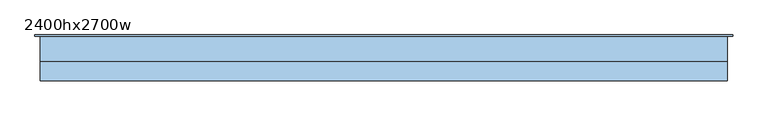
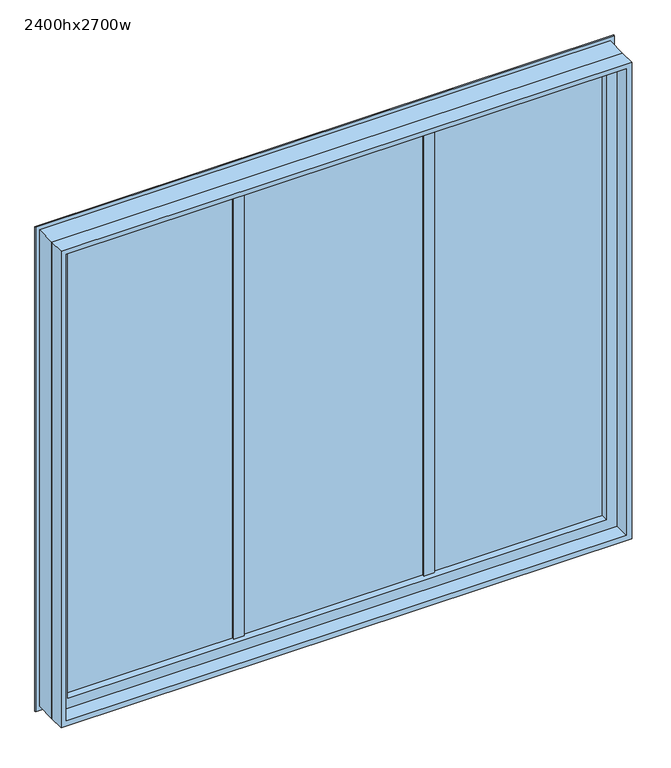
"""IFC4 building model written with IfcOpenShell, lengths in millimetres: window geometry, 2400hx2700w."""

from ifc_helpers import new_model, si_unit, frame, origin, place, context, project, spatial, polyline, outline, extrude, faceted_brep, source, transform, mapped, element, save


def window_2400hx2700w_36a617c0(model_context):
    return source(origin(), model_context, "Body", "SolidModel", [
        extrude(outline(polyline([(3062.5, -1670.0), (680.0, -1670.0), (680.0, 1030.0), (3062.5, 1030.0), (3062.5, -1670.0)]), holes=[polyline([(3037.5, 1005.0), (705.0, 1005.0), (705.0, -1645.0), (3037.5, -1645.0), (3037.5, 1005.0)])]), frame((0.0, -100.0, 0.0), z_axis=(0.0, 1.0, 0.0), x_axis=(0.0, 0.0, 1.0)), (0.0, 0.0, 1.0), 75.0),
        faceted_brep([(-1670.0, -25.0, 3062.5), (-1670.0, 75.0, 3062.5), (-1670.0, 75.0, 680.0), (-1670.0, -25.0, 680.0), (1005.0, 75.0, 3037.5), (1005.0, 75.0, 705.0), (-1645.0, 75.0, 705.0), (-1645.0, 75.0, 3037.5), (-1595.0, 75.0, 2987.5), (-1595.0, 75.0, 755.0), (955.0, 75.0, 755.0), (955.0, 75.0, 2987.5), (1030.0, 75.0, 680.0), (1030.0, -25.0, 680.0), (1030.0, -25.0, 3062.5), (955.0, -25.0, 2987.5), (955.0, -25.0, 755.0), (-1595.0, -25.0, 755.0), (-1595.0, -25.0, 2987.5), (1030.0, 75.0, 3062.5), (-1690.0, 75.0, 3082.5), (-1690.0, 75.0, 660.0), (1050.0, 75.0, 660.0), (1050.0, 75.0, 3082.5), (1005.0, 80.0, 705.0), (1005.0, 80.0, 3037.5), (-1645.0, 80.0, 705.0), (-1645.0, 80.0, 3037.5), (1050.0, 80.0, 3082.5), (1050.0, 80.0, 660.0), (-1690.0, 80.0, 660.0), (-1690.0, 80.0, 3082.5)], [[[0, 1, 2, 3]], [[4, 5, 6, 7], [8, 9, 10, 11]], [[3, 2, 12, 13]], [[0, 3, 13, 14], [15, 16, 17, 18]], [[8, 18, 17, 9]], [[9, 17, 16, 10]], [[13, 12, 19, 14]], [[10, 16, 15, 11]], [[14, 19, 1, 0]], [[11, 15, 18, 8]], [[20, 21, 22, 23], [19, 12, 2, 1]], [[24, 5, 4, 25]], [[26, 6, 5, 24]], [[27, 7, 6, 26]], [[28, 29, 30, 31], [27, 26, 24, 25]], [[20, 31, 30, 21]], [[21, 30, 29, 22]], [[22, 29, 28, 23]], [[25, 4, 7, 27]], [[23, 28, 31, 20]]]),
        extrude(outline(polyline([(155.0, 50.3446628), (155.0, 0.0), (105.0, 0.0), (105.0, 50.3446628), (155.0, 50.3446628)])), frame((0.0, 0.0, 755.0), z_axis=(0.0, 0.0, 1.0), x_axis=(1.0, 0.0, 0.0)), (0.0, 0.0, 1.0), 2232.5),
        extrude(outline(polyline([(-745.0, 50.3446628), (-745.0, 0.0), (-795.0, 0.0), (-795.0, 50.3446628), (-745.0, 50.3446628)])), frame((0.0, 0.0, 755.0), z_axis=(0.0, 0.0, 1.0), x_axis=(1.0, 0.0, 0.0)), (0.0, 0.0, 1.0), 2232.5),
        extrude(outline(polyline([(955.0, 17.6723314), (955.0, 10.3446628), (-1595.0, 10.3446628), (-1595.0, 17.6723314), (955.0, 17.6723314)])), frame((0.0, 0.0, 755.0), z_axis=(0.0, 0.0, 1.0), x_axis=(1.0, 0.0, 0.0)), (0.0, 0.0, 1.0), 2232.5),
    ])


if __name__ == "__main__":
    model = new_model("IFC4")
    model_context = context("Model", 3, world=origin())
    ifc_project = project(units=[si_unit("LENGTHUNIT", "METRE", prefix="MILLI")], contexts=[model_context])
    site = spatial("IfcSite", under=ifc_project)
    building = spatial("IfcBuilding", under=site)
    placement = place(None, origin())
    window_2400hx2700w_shape = window_2400hx2700w_36a617c0(model_context)
    element("IfcWindow", 1, ObjectType="2400hx2700w", at=placement, inside=building, context=model_context, shape_type="MappedRepresentation", body=[
        mapped(window_2400hx2700w_shape, transform((0.0, 0.0, 0.0), x_axis=(1.0, 0.0, 0.0), y_axis=(0.0, 1.0, 0.0), z_axis=(0.0, 0.0, 1.0))),
    ])
    save(model, "model.ifc")
